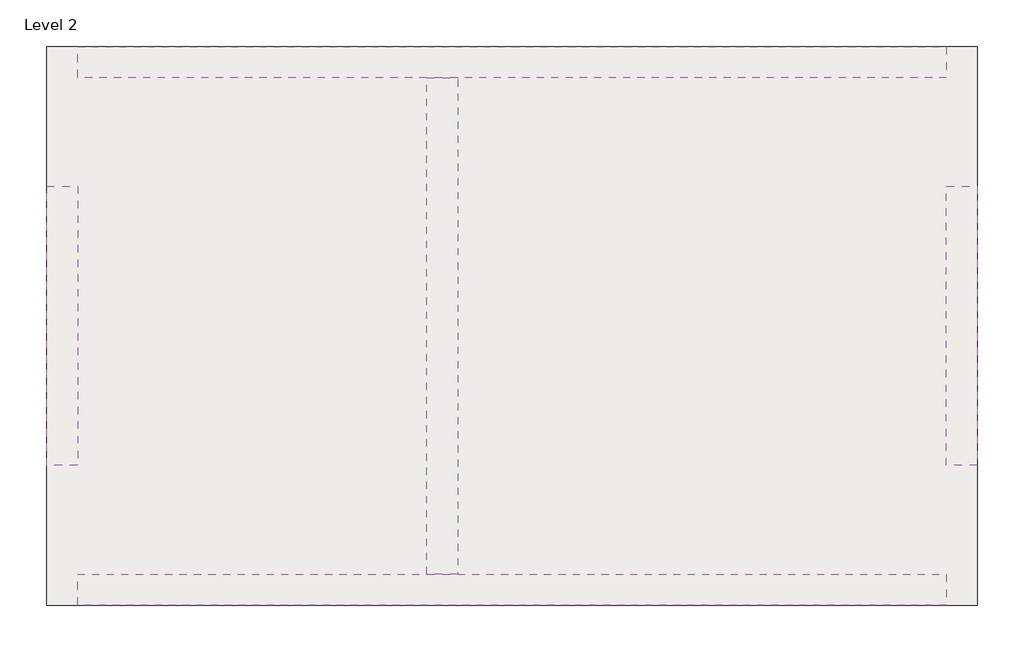
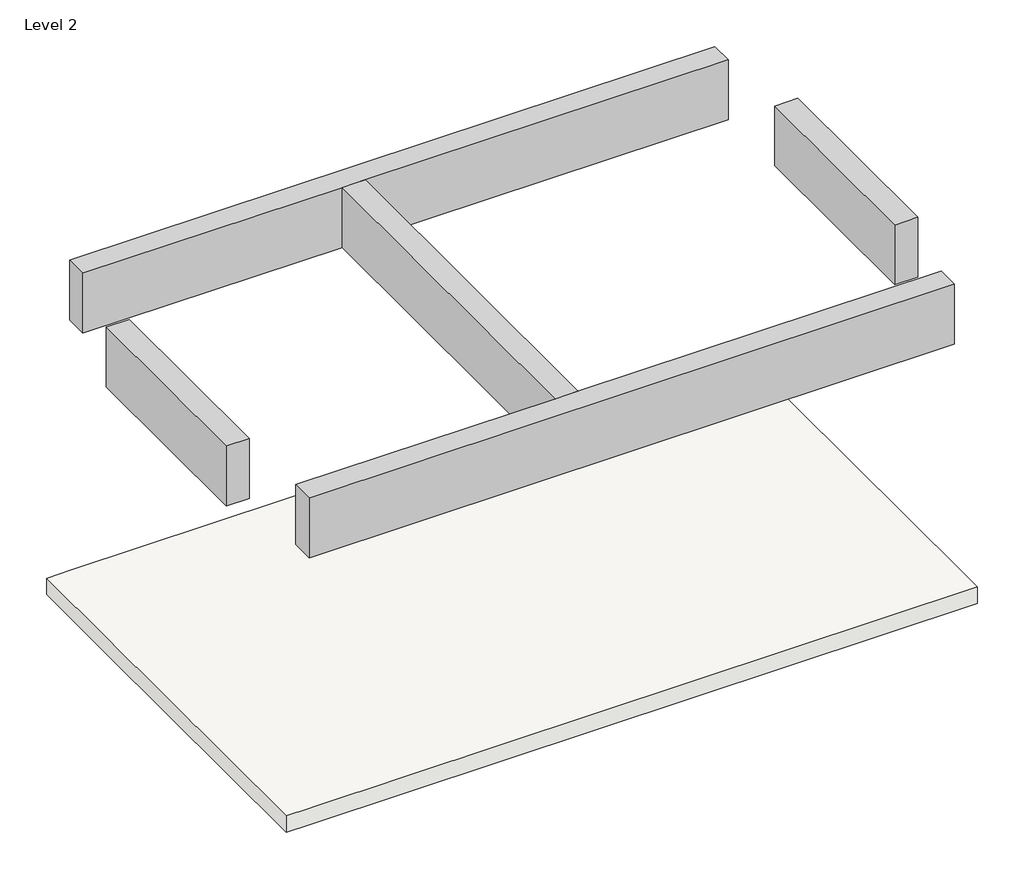
# One storey: 5 beams, 1 slab.
"""IFC4 building model written with IfcOpenShell, lengths in millimetres."""

from ifc_helpers import new_model, si_unit, frame, origin, place, context, project, spatial, polyline, outline, extrude, faceted_brep, element, save

model = new_model("IFC4")

# Units and contexts
model_context = context("Model", 3, world=origin())
ifc_project = project(units=[si_unit("LENGTHUNIT", "METRE", prefix="MILLI")], contexts=[model_context])

# Site, building, storey
site = spatial("IfcSite", under=ifc_project)
building = spatial("IfcBuilding", under=site)
storey = spatial("IfcBuildingStorey", under=building, Name="Level 2", Elevation=3048.0)

# Beams
placement = place(None, origin())
element("IfcBeam", 1, ObjectType="Concrete-Rectangular Beam : 8 x 28", at=placement, inside=storey, context=model_context, shape_type="Brep", body=[
    faceted_brep([(-11.5069565, -4481.3615499, 5384.8), (2274.4930435, -4481.3615499, 5384.8), (2477.6930435, -4481.3615499, 5384.8), (5678.0930435, -4481.3615499, 5384.8), (5678.0930435, -4481.3615499, 5943.6), (2477.6930435, -4481.3615499, 5943.6), (2274.4930435, -4481.3615499, 5943.6), (-11.5069565, -4481.3615499, 5943.6), (-11.5069565, -4278.1615499, 5384.8), (5678.0930435, -4278.1615499, 5384.8), (-11.5069565, -4278.1615499, 5943.6), (5678.0930435, -4278.1615499, 5943.6)], [[[0, 1, 2, 3, 4, 5, 6, 7]], [[0, 8, 9, 3, 2, 1]], [[9, 8, 10, 11]], [[8, 0, 7, 10]], [[3, 9, 11, 4]], [[7, 6, 5, 4, 11, 10]]]),
])
element("IfcBeam", 2, ObjectType="Concrete-Rectangular Beam : 8 x 28", at=placement, inside=storey, context=model_context, shape_type="SweptSolid", body=[
    extrude(outline(polyline([(5678.0930435, -5192.5615499), (5881.2930435, -5192.5615499), (5881.2930435, -7021.3615499), (5678.0930435, -7021.3615499), (5678.0930435, -5192.5615499)])), frame((0.0, 0.0, 5384.8), z_axis=(0.0, 0.0, 1.0), x_axis=(1.0, 0.0, 0.0)), (0.0, 0.0, 1.0), 558.8),
])
element("IfcBeam", 3, ObjectType="Concrete-Rectangular Beam : 8 x 28", at=placement, inside=storey, context=model_context, shape_type="Brep", body=[
    faceted_brep([(5678.0930435, -7732.5615499, 5384.8), (2477.6930435, -7732.5615499, 5384.8), (2274.4930435, -7732.5615499, 5384.8), (-11.5069565, -7732.5615499, 5384.8), (-11.5069565, -7732.5615499, 5943.6), (2274.4930435, -7732.5615499, 5943.6), (2477.6930435, -7732.5615499, 5943.6), (5678.0930435, -7732.5615499, 5943.6), (5678.0930435, -7935.7615499, 5384.8), (-11.5069565, -7935.7615499, 5384.8), (5678.0930435, -7935.7615499, 5943.6), (-11.5069565, -7935.7615499, 5943.6)], [[[0, 1, 2, 3, 4, 5, 6, 7]], [[3, 2, 1, 0, 8, 9]], [[9, 8, 10, 11]], [[8, 0, 7, 10]], [[3, 9, 11, 4]], [[7, 6, 5, 4, 11, 10]]]),
])
element("IfcBeam", 4, ObjectType="Concrete-Rectangular Beam : 8 x 28", at=placement, inside=storey, context=model_context, shape_type="SweptSolid", body=[
    extrude(outline(polyline([(-214.7069565, -5192.5615499), (-11.5069565, -5192.5615499), (-11.5069565, -7021.3615499), (-214.7069565, -7021.3615499), (-214.7069565, -5192.5615499)])), frame((0.0, 0.0, 5384.8), z_axis=(0.0, 0.0, 1.0), x_axis=(1.0, 0.0, 0.0)), (0.0, 0.0, 1.0), 558.8),
])
element("IfcBeam", 5, ObjectType="Concrete-Rectangular Beam : 8 x 28", at=placement, inside=storey, context=model_context, shape_type="Brep", body=[
    faceted_brep([(2274.4930435, -4481.3615499, 5384.8), (2274.4930435, -7732.5615499, 5384.8), (2274.4930435, -7732.5615499, 5943.6), (2274.4930435, -4481.3615499, 5943.6), (2477.6930435, -4481.3615499, 5384.8), (2477.6930435, -4494.0615499, 5384.8), (2477.6930435, -7719.8615499, 5384.8), (2477.6930435, -7732.5615499, 5384.8), (2477.6930435, -4481.3615499, 5943.6), (2477.6930435, -4494.0615499, 5943.6), (2477.6930435, -7719.8615499, 5943.6), (2477.6930435, -7732.5615499, 5943.6)], [[[0, 1, 2, 3]], [[0, 4, 5, 6, 7, 1]], [[7, 6, 5, 4, 8, 9, 10, 11]], [[4, 0, 3, 8]], [[1, 7, 11, 2]], [[3, 2, 11, 10, 9, 8]]]),
])

# Slab
element("IfcSlab", 6, ObjectType="Generic - 6\"", at=placement, inside=storey, context=model_context, shape_type="Brep", body=[
    faceted_brep([(-214.7069565, -4278.1615499, 2895.6), (-11.5069565, -4278.1615499, 2895.6), (5665.3930435, -4278.1615499, 2895.6), (5881.2930435, -4278.1615499, 2895.6), (5881.2930435, -4379.7615499, 2895.6), (5881.2930435, -5192.5615499, 2895.6), (5881.2930435, -7021.3615499, 2895.6), (5881.2930435, -7719.8615499, 2895.6), (5881.2930435, -7935.7615499, 2895.6), (1.1930435, -7935.7615499, 2895.6), (-11.5069565, -7935.7615499, 2895.6), (-214.7069565, -7935.7615499, 2895.6), (-214.7069565, -7021.3615499, 2895.6), (-214.7069565, -5192.5615499, 2895.6), (-214.7069565, -4278.1615499, 3048.0), (-214.7069565, -5192.5615499, 3048.0), (-214.7069565, -7021.3615499, 3048.0), (-214.7069565, -7935.7615499, 3048.0), (-11.5069565, -7935.7615499, 3048.0), (1.1930435, -7935.7615499, 3048.0), (5881.2930435, -7935.7615499, 3048.0), (5881.2930435, -7719.8615499, 3048.0), (5881.2930435, -4278.1615499, 3048.0), (5665.3930435, -4278.1615499, 3048.0), (-11.5069565, -4278.1615499, 3048.0)], [[[0, 1, 2, 3, 4, 5, 6, 7, 8, 9, 10, 11, 12, 13]], [[14, 15, 16, 17, 18, 19, 20, 21, 22, 23, 24]], [[3, 2, 1, 0, 14, 24, 23, 22]], [[8, 7, 6, 5, 4, 3, 22, 21, 20]], [[11, 10, 9, 8, 20, 19, 18, 17]], [[0, 13, 12, 11, 17, 16, 15, 14]]]),
])

save(model, "model.ifc")
